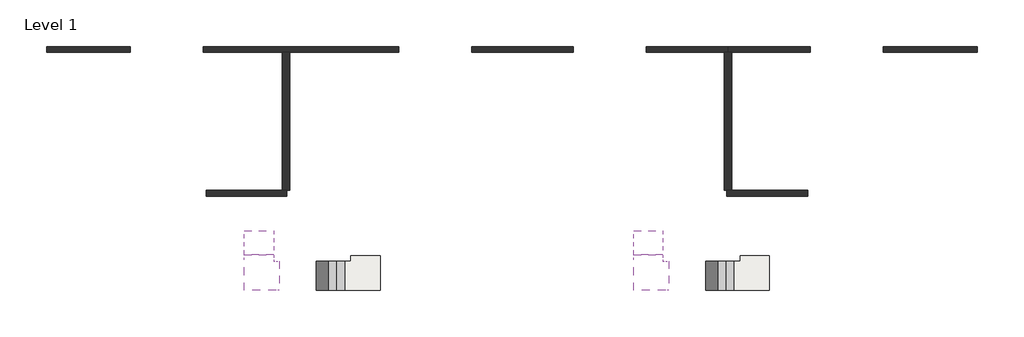
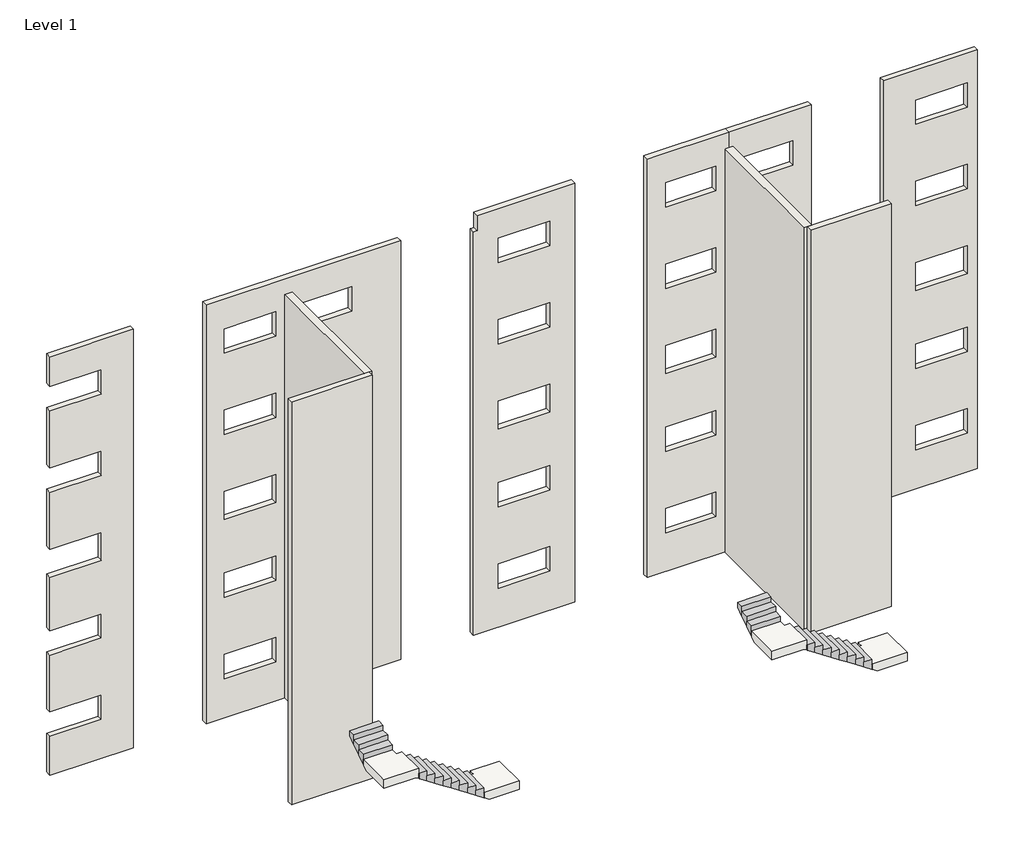
# One storey: 10 walls, 4 slabs, 4 stair flights.
"""IFC4 building model written with IfcOpenShell, lengths in millimetres."""

from ifc_helpers import new_model, si_unit, origin, place, context, project, spatial, faceted_brep, element, save

model = new_model("IFC4")

# Units and contexts
model_context = context("Model", 3, world=origin())
ifc_project = project(units=[si_unit("LENGTHUNIT", "METRE", prefix="MILLI")], contexts=[model_context])

# Site, building, storey
site = spatial("IfcSite", under=ifc_project)
building = spatial("IfcBuilding", under=site)
storey = spatial("IfcBuildingStorey", under=building, Name="Level 1", Elevation=2960.0)

# Slabs
placement = place(None, origin())
element("IfcSlab", 1, ObjectType="300 mm Thickness", at=placement, inside=storey, context=model_context, shape_type="Brep", body=[
    faceted_brep([(-6247.8096791, 11672.190715, 3700.0), (-7247.8096791, 11672.190715, 3700.0), (-7247.8096791, 11574.1395118, 3700.0), (-7247.8096791, 11492.190715, 3700.0), (-7280.8608822, 11492.190715, 3700.0), (-7437.8096791, 11492.190715, 3700.0), (-7462.8096791, 11492.190715, 3700.0), (-7462.8096791, 10492.190715, 3700.0), (-7437.8096791, 10492.190715, 3700.0), (-7280.8608822, 10492.190715, 3700.0), (-6247.8096791, 10492.190715, 3700.0), (-6247.8096791, 11574.1395118, 3700.0), (-6247.8096791, 11672.190715, 3515.0), (-6247.8096791, 11672.190715, 3335.2161693), (-7247.8096791, 11672.190715, 3335.2161693), (-7247.8096791, 11672.190715, 3515.0), (-7247.8096791, 11574.1395118, 3400.0), (-7247.8096791, 11492.190715, 3400.0), (-7437.8096791, 10492.190715, 3503.6983122), (-7280.8608822, 10492.190715, 3400.0), (-6247.8096791, 10492.190715, 3400.0), (-6247.8096791, 11574.1395118, 3400.0), (-7280.8608822, 11492.190715, 3400.0), (-7462.8096791, 10492.190715, 3520.2161693), (-7462.8096791, 11492.190715, 3520.2161693), (-7437.8096791, 11492.190715, 3503.6983122)], [[[0, 1, 2, 3, 4, 5, 6, 7, 8, 9, 10, 11]], [[1, 0, 12, 13, 14, 15]], [[1, 15, 14, 16, 17, 3, 2]], [[8, 18, 19, 20, 10, 9]], [[13, 12, 0, 11, 10, 20, 21]], [[16, 21, 20, 19, 22, 17]], [[21, 16, 14, 13]], [[22, 19, 18, 23, 24, 25]], [[3, 17, 22, 25, 5, 4]], [[6, 5, 25, 24]], [[7, 6, 24, 23]], [[8, 7, 23, 18]]]),
])
element("IfcSlab", 2, ObjectType="300 mm Thickness", at=placement, inside=storey, context=model_context, shape_type="Brep", body=[
    faceted_brep([(-9702.8096791, 10492.190715, 5365.0), (-9702.8096791, 11492.190715, 5365.0), (-9800.8608822, 11492.190715, 5365.0), (-9897.8096791, 11492.190715, 5365.0), (-9897.8096791, 11540.2419181, 5365.0), (-9897.8096791, 11697.190715, 5365.0), (-9897.8096791, 11722.190715, 5365.0), (-10897.8096791, 11722.190715, 5365.0), (-10897.8096791, 11697.190715, 5365.0), (-10897.8096791, 11540.2419181, 5365.0), (-10897.8096791, 10492.190715, 5365.0), (-9800.8608822, 10492.190715, 5365.0), (-9702.8096791, 10492.190715, 5180.0), (-9702.8096791, 10492.190715, 5000.2161693), (-9702.8096791, 11492.190715, 5000.2161693), (-9702.8096791, 11492.190715, 5180.0), (-9800.8608822, 11492.190715, 5065.0), (-9897.8096791, 11492.190715, 5065.0), (-10897.8096791, 11697.190715, 5168.6983122), (-10897.8096791, 11540.2419181, 5065.0), (-10897.8096791, 10492.190715, 5065.0), (-9800.8608822, 10492.190715, 5065.0), (-9897.8096791, 11540.2419181, 5065.0), (-10897.8096791, 11722.190715, 5185.2161693), (-9897.8096791, 11722.190715, 5185.2161693), (-9897.8096791, 11697.190715, 5168.6983122)], [[[0, 1, 2, 3, 4, 5, 6, 7, 8, 9, 10, 11]], [[1, 0, 12, 13, 14, 15]], [[1, 15, 14, 16, 17, 3, 2]], [[8, 18, 19, 20, 10, 9]], [[13, 12, 0, 11, 10, 20, 21]], [[16, 21, 20, 19, 22, 17]], [[21, 16, 14, 13]], [[22, 19, 18, 23, 24, 25]], [[3, 17, 22, 25, 5, 4]], [[6, 5, 25, 24]], [[7, 6, 24, 23]], [[8, 7, 23, 18]]]),
])
element("IfcSlab", 3, ObjectType="300 mm Thickness", at=placement, inside=storey, context=model_context, shape_type="Brep", body=[
    faceted_brep([(7092.1903209, 11672.190715, 3700.0), (6092.1903209, 11672.190715, 3700.0), (6092.1903209, 11574.1395118, 3700.0), (6092.1903209, 11492.190715, 3700.0), (6059.1391178, 11492.190715, 3700.0), (5902.1903209, 11492.190715, 3700.0), (5877.1903209, 11492.190715, 3700.0), (5877.1903209, 10492.190715, 3700.0), (5902.1903209, 10492.190715, 3700.0), (6059.1391178, 10492.190715, 3700.0), (7092.1903209, 10492.190715, 3700.0), (7092.1903209, 11574.1395118, 3700.0), (7092.1903209, 11672.190715, 3515.0), (7092.1903209, 11672.190715, 3335.2161693), (6092.1903209, 11672.190715, 3335.2161693), (6092.1903209, 11672.190715, 3515.0), (6092.1903209, 11574.1395118, 3400.0), (6092.1903209, 11492.190715, 3400.0), (5902.1903209, 10492.190715, 3503.6983122), (6059.1391178, 10492.190715, 3400.0), (7092.1903209, 10492.190715, 3400.0), (7092.1903209, 11574.1395118, 3400.0), (6059.1391178, 11492.190715, 3400.0), (5877.1903209, 10492.190715, 3520.2161693), (5877.1903209, 11492.190715, 3520.2161693), (5902.1903209, 11492.190715, 3503.6983122)], [[[0, 1, 2, 3, 4, 5, 6, 7, 8, 9, 10, 11]], [[1, 0, 12, 13, 14, 15]], [[1, 15, 14, 16, 17, 3, 2]], [[8, 18, 19, 20, 10, 9]], [[13, 12, 0, 11, 10, 20, 21]], [[16, 21, 20, 19, 22, 17]], [[21, 16, 14, 13]], [[22, 19, 18, 23, 24, 25]], [[3, 17, 22, 25, 5, 4]], [[6, 5, 25, 24]], [[7, 6, 24, 23]], [[8, 7, 23, 18]]]),
])
element("IfcSlab", 4, ObjectType="300 mm Thickness", at=placement, inside=storey, context=model_context, shape_type="Brep", body=[
    faceted_brep([(3637.1903209, 10492.190715, 5365.0), (3637.1903209, 11492.190715, 5365.0), (3539.1391178, 11492.190715, 5365.0), (3442.1903209, 11492.190715, 5365.0), (3442.1903209, 11540.2419181, 5365.0), (3442.1903209, 11697.190715, 5365.0), (3442.1903209, 11722.190715, 5365.0), (2442.1903209, 11722.190715, 5365.0), (2442.1903209, 11697.190715, 5365.0), (2442.1903209, 11540.2419181, 5365.0), (2442.1903209, 10492.190715, 5365.0), (3539.1391178, 10492.190715, 5365.0), (3637.1903209, 10492.190715, 5180.0), (3637.1903209, 10492.190715, 5000.2161693), (3637.1903209, 11492.190715, 5000.2161693), (3637.1903209, 11492.190715, 5180.0), (3539.1391178, 11492.190715, 5065.0), (3442.1903209, 11492.190715, 5065.0), (2442.1903209, 11697.190715, 5168.6983122), (2442.1903209, 11540.2419181, 5065.0), (2442.1903209, 10492.190715, 5065.0), (3539.1391178, 10492.190715, 5065.0), (3442.1903209, 11540.2419181, 5065.0), (2442.1903209, 11722.190715, 5185.2161693), (3442.1903209, 11722.190715, 5185.2161693), (3442.1903209, 11697.190715, 5168.6983122)], [[[0, 1, 2, 3, 4, 5, 6, 7, 8, 9, 10, 11]], [[1, 0, 12, 13, 14, 15]], [[1, 15, 14, 16, 17, 3, 2]], [[8, 18, 19, 20, 10, 9]], [[13, 12, 0, 11, 10, 20, 21]], [[16, 21, 20, 19, 22, 17]], [[21, 16, 14, 13]], [[22, 19, 18, 23, 24, 25]], [[3, 17, 22, 25, 5, 4]], [[6, 5, 25, 24]], [[7, 6, 24, 23]], [[8, 7, 23, 18]]]),
])

# Stair flights
element("IfcStairFlight", 5, ObjectType="25 mm Nosing", at=placement, inside=storey, context=model_context, shape_type="Brep", body=[
    faceted_brep([(-7742.8096791, 10492.190715, 3885.0), (-7462.8096791, 10492.190715, 3885.0), (-7462.8096791, 11492.190715, 3885.0), (-7742.8096791, 11492.190715, 3885.0), (-7742.8096791, 10492.190715, 3705.2161693), (-7462.8096791, 10492.190715, 3520.2161693), (-7462.8096791, 10492.190715, 3700.0), (-7462.8096791, 11492.190715, 3520.2161693), (-7462.8096791, 11492.190715, 3700.0), (-7742.8096791, 11492.190715, 3705.2161693), (-8022.8096791, 10492.190715, 4070.0), (-7742.8096791, 10492.190715, 4070.0), (-7742.8096791, 11492.190715, 4070.0), (-8022.8096791, 11492.190715, 4070.0), (-8022.8096791, 10492.190715, 3890.2161693), (-8022.8096791, 11492.190715, 3890.2161693), (-8302.8096791, 10492.190715, 4255.0), (-8022.8096791, 10492.190715, 4255.0), (-8022.8096791, 11492.190715, 4255.0), (-8302.8096791, 11492.190715, 4255.0), (-8302.8096791, 10492.190715, 4075.2161693), (-8302.8096791, 11492.190715, 4075.2161693), (-8582.8096791, 10492.190715, 4440.0), (-8302.8096791, 10492.190715, 4440.0), (-8302.8096791, 11492.190715, 4440.0), (-8582.8096791, 11492.190715, 4440.0), (-8582.8096791, 10492.190715, 4260.2161693), (-8582.8096791, 11492.190715, 4260.2161693), (-8862.8096791, 10492.190715, 4625.0), (-8582.8096791, 10492.190715, 4625.0), (-8582.8096791, 11492.190715, 4625.0), (-8862.8096791, 11492.190715, 4625.0), (-8862.8096791, 10492.190715, 4445.2161693), (-8862.8096791, 11492.190715, 4445.2161693), (-9142.8096791, 10492.190715, 4810.0), (-8862.8096791, 10492.190715, 4810.0), (-8862.8096791, 11492.190715, 4810.0), (-9142.8096791, 11492.190715, 4810.0), (-9142.8096791, 10492.190715, 4630.2161693), (-9142.8096791, 11492.190715, 4630.2161693), (-9422.8096791, 10492.190715, 4995.0), (-9142.8096791, 10492.190715, 4995.0), (-9142.8096791, 11492.190715, 4995.0), (-9422.8096791, 11492.190715, 4995.0), (-9422.8096791, 10492.190715, 4815.2161693), (-9422.8096791, 11492.190715, 4815.2161693), (-9702.8096791, 10492.190715, 5180.0), (-9677.8096791, 10492.190715, 5180.0), (-9422.8096791, 10492.190715, 5180.0), (-9422.8096791, 11492.190715, 5180.0), (-9677.8096791, 11492.190715, 5180.0), (-9702.8096791, 11492.190715, 5180.0), (-9702.8096791, 10492.190715, 5000.2161693), (-9677.8096791, 10492.190715, 4983.6983122), (-9677.8096791, 11492.190715, 4983.6983122), (-9702.8096791, 11492.190715, 5000.2161693)], [[[0, 1, 2, 3]], [[1, 0, 4, 5, 6]], [[2, 1, 6, 5, 7, 8]], [[3, 2, 8, 7, 9]], [[10, 11, 12, 13]], [[11, 10, 14, 4, 0]], [[0, 3, 12, 11]], [[13, 12, 3, 9, 15]], [[16, 17, 18, 19]], [[17, 16, 20, 14, 10]], [[10, 13, 18, 17]], [[19, 18, 13, 15, 21]], [[22, 23, 24, 25]], [[23, 22, 26, 20, 16]], [[16, 19, 24, 23]], [[25, 24, 19, 21, 27]], [[28, 29, 30, 31]], [[29, 28, 32, 26, 22]], [[22, 25, 30, 29]], [[31, 30, 25, 27, 33]], [[34, 35, 36, 37]], [[35, 34, 38, 32, 28]], [[28, 31, 36, 35]], [[37, 36, 31, 33, 39]], [[40, 41, 42, 43]], [[41, 40, 44, 38, 34]], [[34, 37, 42, 41]], [[43, 42, 37, 39, 45]], [[46, 47, 48, 49, 50, 51]], [[47, 46, 52, 53]], [[40, 43, 49, 48]], [[50, 49, 43, 45, 54]], [[46, 51, 55, 52]], [[5, 4, 14, 20, 26, 32, 38, 44, 53, 52, 55, 54, 45, 39, 33, 27, 21, 15, 9, 7]], [[48, 47, 53, 44, 40]], [[51, 50, 54, 55]]]),
])
element("IfcStairFlight", 6, ObjectType="25 mm Nosing", at=placement, inside=storey, context=model_context, shape_type="Brep", body=[
    faceted_brep([(-10897.8096791, 12002.190715, 5550.0), (-10897.8096791, 11722.190715, 5550.0), (-9897.8096791, 11722.190715, 5550.0), (-9897.8096791, 12002.190715, 5550.0), (-10897.8096791, 12002.190715, 5370.2161693), (-10897.8096791, 11722.190715, 5185.2161693), (-10897.8096791, 11722.190715, 5365.0), (-9897.8096791, 11722.190715, 5185.2161693), (-9897.8096791, 11722.190715, 5365.0), (-9897.8096791, 12002.190715, 5370.2161693), (-10897.8096791, 12282.190715, 5735.0), (-10897.8096791, 12002.190715, 5735.0), (-9897.8096791, 12002.190715, 5735.0), (-9897.8096791, 12282.190715, 5735.0), (-10897.8096791, 12282.190715, 5555.2161693), (-9897.8096791, 12282.190715, 5555.2161693), (-10897.8096791, 12537.190715, 5920.0), (-10897.8096791, 12282.190715, 5920.0), (-9897.8096791, 12282.190715, 5920.0), (-9897.8096791, 12537.190715, 5920.0), (-10897.8096791, 12537.190715, 5723.6983122), (-9897.8096791, 12537.190715, 5723.6983122)], [[[0, 1, 2, 3]], [[1, 0, 4, 5, 6]], [[2, 1, 6, 5, 7, 8]], [[3, 2, 8, 7, 9]], [[10, 11, 12, 13]], [[11, 10, 14, 4, 0]], [[12, 11, 0, 3]], [[13, 12, 3, 9, 15]], [[16, 17, 18, 19]], [[17, 16, 20, 14, 10]], [[18, 17, 10, 13]], [[19, 18, 13, 15, 21]], [[16, 19, 21, 20]], [[5, 4, 14, 20, 21, 15, 9, 7]]]),
])
element("IfcStairFlight", 7, ObjectType="25 mm Nosing", at=placement, inside=storey, context=model_context, shape_type="Brep", body=[
    faceted_brep([(5597.1903209, 10492.190715, 3885.0), (5877.1903209, 10492.190715, 3885.0), (5877.1903209, 11492.190715, 3885.0), (5597.1903209, 11492.190715, 3885.0), (5597.1903209, 10492.190715, 3705.2161693), (5877.1903209, 10492.190715, 3520.2161693), (5877.1903209, 10492.190715, 3700.0), (5877.1903209, 11492.190715, 3520.2161693), (5877.1903209, 11492.190715, 3700.0), (5597.1903209, 11492.190715, 3705.2161693), (5317.1903209, 10492.190715, 4070.0), (5597.1903209, 10492.190715, 4070.0), (5597.1903209, 11492.190715, 4070.0), (5317.1903209, 11492.190715, 4070.0), (5317.1903209, 10492.190715, 3890.2161693), (5317.1903209, 11492.190715, 3890.2161693), (5037.1903209, 10492.190715, 4255.0), (5317.1903209, 10492.190715, 4255.0), (5317.1903209, 11492.190715, 4255.0), (5037.1903209, 11492.190715, 4255.0), (5037.1903209, 10492.190715, 4075.2161693), (5037.1903209, 11492.190715, 4075.2161693), (4757.1903209, 10492.190715, 4440.0), (5037.1903209, 10492.190715, 4440.0), (5037.1903209, 11492.190715, 4440.0), (4757.1903209, 11492.190715, 4440.0), (4757.1903209, 10492.190715, 4260.2161693), (4757.1903209, 11492.190715, 4260.2161693), (4477.1903209, 10492.190715, 4625.0), (4757.1903209, 10492.190715, 4625.0), (4757.1903209, 11492.190715, 4625.0), (4477.1903209, 11492.190715, 4625.0), (4477.1903209, 10492.190715, 4445.2161693), (4477.1903209, 11492.190715, 4445.2161693), (4197.1903209, 10492.190715, 4810.0), (4477.1903209, 10492.190715, 4810.0), (4477.1903209, 11492.190715, 4810.0), (4197.1903209, 11492.190715, 4810.0), (4197.1903209, 10492.190715, 4630.2161693), (4197.1903209, 11492.190715, 4630.2161693), (3917.1903209, 10492.190715, 4995.0), (4197.1903209, 10492.190715, 4995.0), (4197.1903209, 11492.190715, 4995.0), (3917.1903209, 11492.190715, 4995.0), (3917.1903209, 10492.190715, 4815.2161693), (3917.1903209, 11492.190715, 4815.2161693), (3637.1903209, 10492.190715, 5180.0), (3662.1903209, 10492.190715, 5180.0), (3917.1903209, 10492.190715, 5180.0), (3917.1903209, 11492.190715, 5180.0), (3662.1903209, 11492.190715, 5180.0), (3637.1903209, 11492.190715, 5180.0), (3637.1903209, 10492.190715, 5000.2161693), (3662.1903209, 10492.190715, 4983.6983122), (3662.1903209, 11492.190715, 4983.6983122), (3637.1903209, 11492.190715, 5000.2161693)], [[[0, 1, 2, 3]], [[1, 0, 4, 5, 6]], [[2, 1, 6, 5, 7, 8]], [[3, 2, 8, 7, 9]], [[10, 11, 12, 13]], [[11, 10, 14, 4, 0]], [[0, 3, 12, 11]], [[13, 12, 3, 9, 15]], [[16, 17, 18, 19]], [[17, 16, 20, 14, 10]], [[10, 13, 18, 17]], [[19, 18, 13, 15, 21]], [[22, 23, 24, 25]], [[23, 22, 26, 20, 16]], [[16, 19, 24, 23]], [[25, 24, 19, 21, 27]], [[28, 29, 30, 31]], [[29, 28, 32, 26, 22]], [[22, 25, 30, 29]], [[31, 30, 25, 27, 33]], [[34, 35, 36, 37]], [[35, 34, 38, 32, 28]], [[28, 31, 36, 35]], [[37, 36, 31, 33, 39]], [[40, 41, 42, 43]], [[41, 40, 44, 38, 34]], [[34, 37, 42, 41]], [[43, 42, 37, 39, 45]], [[46, 47, 48, 49, 50, 51]], [[47, 46, 52, 53]], [[40, 43, 49, 48]], [[50, 49, 43, 45, 54]], [[46, 51, 55, 52]], [[5, 4, 14, 20, 26, 32, 38, 44, 53, 52, 55, 54, 45, 39, 33, 27, 21, 15, 9, 7]], [[48, 47, 53, 44, 40]], [[51, 50, 54, 55]]]),
])
element("IfcStairFlight", 8, ObjectType="25 mm Nosing", at=placement, inside=storey, context=model_context, shape_type="Brep", body=[
    faceted_brep([(2442.1903209, 12002.190715, 5550.0), (2442.1903209, 11722.190715, 5550.0), (3442.1903209, 11722.190715, 5550.0), (3442.1903209, 12002.190715, 5550.0), (2442.1903209, 12002.190715, 5370.2161693), (2442.1903209, 11722.190715, 5185.2161693), (2442.1903209, 11722.190715, 5365.0), (3442.1903209, 11722.190715, 5185.2161693), (3442.1903209, 11722.190715, 5365.0), (3442.1903209, 12002.190715, 5370.2161693), (2442.1903209, 12282.190715, 5735.0), (2442.1903209, 12002.190715, 5735.0), (3442.1903209, 12002.190715, 5735.0), (3442.1903209, 12282.190715, 5735.0), (2442.1903209, 12282.190715, 5555.2161693), (3442.1903209, 12282.190715, 5555.2161693), (2442.1903209, 12537.190715, 5920.0), (2442.1903209, 12282.190715, 5920.0), (3442.1903209, 12282.190715, 5920.0), (3442.1903209, 12537.190715, 5920.0), (2442.1903209, 12537.190715, 5723.6983122), (3442.1903209, 12537.190715, 5723.6983122)], [[[0, 1, 2, 3]], [[1, 0, 4, 5, 6]], [[2, 1, 6, 5, 7, 8]], [[3, 2, 8, 7, 9]], [[10, 11, 12, 13]], [[11, 10, 14, 4, 0]], [[12, 11, 0, 3]], [[13, 12, 3, 9, 15]], [[16, 17, 18, 19]], [[17, 16, 20, 14, 10]], [[18, 17, 10, 13]], [[19, 18, 13, 15, 21]], [[16, 19, 21, 20]], [[5, 4, 14, 20, 21, 15, 9, 7]]]),
])

# Walls
element("IfcWall", 9, ObjectType="Generic - 200mm", at=placement, inside=storey, context=model_context, shape_type="Brep", body=[
    faceted_brep([(-12207.8096791, 13717.190715, 2960.0), (-12112.8096791, 13717.190715, 2960.0), (-9532.8096791, 13717.190715, 2960.0), (-9442.8096791, 13717.190715, 2960.0), (-9437.8096791, 13717.190715, 2960.0), (-9437.8096791, 13717.190715, 17620.0), (-12207.8096791, 13717.190715, 17620.0), (-12207.8096791, 13917.190715, 2960.0), (-12207.8096791, 13917.190715, 17620.0), (-9602.8096791, 13917.190715, 17620.0), (-9437.8096791, 13917.190715, 17620.0), (-9437.8096791, 13917.190715, 2960.0), (-9442.8096791, 13917.190715, 2960.0), (-9532.8096791, 13917.190715, 2960.0), (-9602.8096791, 13917.190715, 2960.0), (-12112.8096791, 13917.190715, 2960.0)], [[[0, 1, 2, 3, 4, 5, 6]], [[7, 8, 9, 10, 11, 12, 13, 14, 15]], [[4, 3, 2, 1, 0, 7, 15, 14, 13, 12, 11]], [[5, 4, 11, 10]], [[6, 5, 10, 9, 8]], [[0, 6, 8, 7]]]),
])
element("IfcWall", 10, ObjectType="Generic - 200mm", at=placement, inside=storey, context=model_context, shape_type="Brep", body=[
    faceted_brep([(8402.1903209, 13917.190715, 2960.0), (8307.1903209, 13917.190715, 2960.0), (5797.1903209, 13917.190715, 2960.0), (5727.1903209, 13917.190715, 2960.0), (5637.1903209, 13917.190715, 2960.0), (5632.1903209, 13917.190715, 2960.0), (5632.1903209, 13917.190715, 17620.0), (5797.1903209, 13917.190715, 17620.0), (8402.1903209, 13917.190715, 17620.0), (8402.1903209, 13717.190715, 2960.0), (8402.1903209, 13717.190715, 17620.0), (5632.1903209, 13717.190715, 17620.0), (5632.1903209, 13717.190715, 2960.0), (5637.1903209, 13717.190715, 2960.0), (5727.1903209, 13717.190715, 2960.0), (8307.1903209, 13717.190715, 2960.0)], [[[0, 1, 2, 3, 4, 5, 6, 7, 8]], [[9, 10, 11, 12, 13, 14, 15]], [[5, 4, 3, 2, 1, 0, 9, 15, 14, 13, 12]], [[6, 5, 12, 11]], [[8, 7, 6, 11, 10]], [[0, 8, 10, 9]]]),
])
element("IfcWall", 11, ObjectType="Generic - 200mm ext", at=placement, inside=storey, context=model_context, shape_type="Brep", body=[
    faceted_brep([(-12302.8096791, 18647.190715, 2960.0), (-9602.8096791, 18647.190715, 2960.0), (-9342.8096791, 18647.190715, 2960.0), (-5612.8096791, 18647.190715, 2960.0), (-5612.8096791, 18647.190715, 17620.0), (-5612.8096791, 18647.190715, 18180.0), (-12302.8096791, 18647.190715, 18180.0), (-12302.8096791, 18647.190715, 17620.0), (-11677.8096791, 18647.190715, 13250.0), (-11677.8096791, 18647.190715, 14140.0), (-9907.8096791, 18647.190715, 14140.0), (-9907.8096791, 18647.190715, 13250.0), (-7297.8096791, 18647.190715, 14140.0), (-7297.8096791, 18647.190715, 13250.0), (-9067.8096791, 18647.190715, 13250.0), (-9067.8096791, 18647.190715, 14140.0), (-9067.8096791, 18647.190715, 16210.0), (-9067.8096791, 18647.190715, 17100.0), (-7297.8096791, 18647.190715, 17100.0), (-7297.8096791, 18647.190715, 16210.0), (-11677.8096791, 18647.190715, 16210.0), (-11677.8096791, 18647.190715, 17100.0), (-9907.8096791, 18647.190715, 17100.0), (-9907.8096791, 18647.190715, 16210.0), (-11677.8096791, 18647.190715, 7330.0), (-11677.8096791, 18647.190715, 8220.0), (-9907.8096791, 18647.190715, 8220.0), (-9907.8096791, 18647.190715, 7330.0), (-9067.8096791, 18647.190715, 7330.0), (-9067.8096791, 18647.190715, 8220.0), (-7297.8096791, 18647.190715, 8220.0), (-7297.8096791, 18647.190715, 7330.0), (-9067.8096791, 18647.190715, 10165.0), (-9067.8096791, 18647.190715, 11180.0), (-7297.8096791, 18647.190715, 11180.0), (-7297.8096791, 18647.190715, 10165.0), (-9907.8096791, 18647.190715, 11180.0), (-9907.8096791, 18647.190715, 10165.0), (-11677.8096791, 18647.190715, 10165.0), (-11677.8096791, 18647.190715, 11180.0), (-7297.8096791, 18647.190715, 5260.0), (-7297.8096791, 18647.190715, 4370.0), (-9067.8096791, 18647.190715, 4370.0), (-9067.8096791, 18647.190715, 5260.0), (-9907.8096791, 18647.190715, 4370.0), (-11677.8096791, 18647.190715, 4370.0), (-11677.8096791, 18647.190715, 5260.0), (-9907.8096791, 18647.190715, 5260.0), (-5612.8096791, 18847.190715, 2960.0), (-12302.8096791, 18847.190715, 2960.0), (-12302.8096791, 18847.190715, 17620.0), (-12302.8096791, 18847.190715, 18180.0), (-5612.8096791, 18847.190715, 18180.0), (-5612.8096791, 18847.190715, 17620.0), (-11677.8096791, 18847.190715, 14140.0), (-11677.8096791, 18847.190715, 13250.0), (-9907.8096791, 18847.190715, 13250.0), (-9907.8096791, 18847.190715, 14140.0), (-7297.8096791, 18847.190715, 13250.0), (-7297.8096791, 18847.190715, 14140.0), (-9067.8096791, 18847.190715, 14140.0), (-9067.8096791, 18847.190715, 13250.0), (-9067.8096791, 18847.190715, 17100.0), (-9067.8096791, 18847.190715, 16210.0), (-7297.8096791, 18847.190715, 16210.0), (-7297.8096791, 18847.190715, 17100.0), (-11677.8096791, 18847.190715, 17100.0), (-11677.8096791, 18847.190715, 16210.0), (-9907.8096791, 18847.190715, 16210.0), (-9907.8096791, 18847.190715, 17100.0), (-11677.8096791, 18847.190715, 8220.0), (-11677.8096791, 18847.190715, 7330.0), (-9907.8096791, 18847.190715, 7330.0), (-9907.8096791, 18847.190715, 8220.0), (-9067.8096791, 18847.190715, 8220.0), (-9067.8096791, 18847.190715, 7330.0), (-7297.8096791, 18847.190715, 7330.0), (-7297.8096791, 18847.190715, 8220.0), (-9067.8096791, 18847.190715, 11180.0), (-9067.8096791, 18847.190715, 10165.0), (-7297.8096791, 18847.190715, 10165.0), (-7297.8096791, 18847.190715, 11180.0), (-9907.8096791, 18847.190715, 10165.0), (-9907.8096791, 18847.190715, 11180.0), (-11677.8096791, 18847.190715, 11180.0), (-11677.8096791, 18847.190715, 10165.0), (-7297.8096791, 18847.190715, 4370.0), (-7297.8096791, 18847.190715, 5260.0), (-9067.8096791, 18847.190715, 5260.0), (-9067.8096791, 18847.190715, 4370.0), (-11677.8096791, 18847.190715, 4370.0), (-9907.8096791, 18847.190715, 4370.0), (-9907.8096791, 18847.190715, 5260.0), (-11677.8096791, 18847.190715, 5260.0)], [[[0, 1, 2, 3, 4, 5, 6, 7], [8, 9, 10, 11], [12, 13, 14, 15], [16, 17, 18, 19], [20, 21, 22, 23], [24, 25, 26, 27], [28, 29, 30, 31], [32, 33, 34, 35], [36, 37, 38, 39], [40, 41, 42, 43], [44, 45, 46, 47]], [[48, 49, 50, 51, 52, 53], [54, 55, 56, 57], [58, 59, 60, 61], [62, 63, 64, 65], [66, 67, 68, 69], [70, 71, 72, 73], [74, 75, 76, 77], [78, 79, 80, 81], [82, 83, 84, 85], [86, 87, 88, 89], [90, 91, 92, 93]], [[3, 2, 1, 0, 49, 48]], [[5, 4, 3, 48, 53, 52]], [[6, 5, 52, 51]], [[0, 7, 6, 51, 50, 49]], [[54, 9, 8, 55]], [[11, 56, 55, 8]], [[10, 57, 56, 11]], [[57, 10, 9, 54]], [[13, 12, 59, 58]], [[14, 13, 58, 61]], [[15, 14, 61, 60]], [[12, 15, 60, 59]], [[63, 62, 17, 16]], [[64, 63, 16, 19]], [[65, 64, 19, 18]], [[62, 65, 18, 17]], [[67, 66, 21, 20]], [[68, 67, 20, 23]], [[69, 68, 23, 22]], [[66, 69, 22, 21]], [[71, 70, 25, 24]], [[72, 71, 24, 27]], [[73, 72, 27, 26]], [[70, 73, 26, 25]], [[75, 74, 29, 28]], [[76, 75, 28, 31]], [[77, 76, 31, 30]], [[74, 77, 30, 29]], [[79, 78, 33, 32]], [[80, 79, 32, 35]], [[81, 80, 35, 34]], [[78, 81, 34, 33]], [[37, 36, 83, 82]], [[38, 37, 82, 85]], [[39, 38, 85, 84]], [[36, 39, 84, 83]], [[41, 40, 87, 86]], [[42, 41, 86, 89]], [[43, 42, 89, 88]], [[40, 43, 88, 87]], [[90, 45, 44, 91]], [[91, 44, 47, 92]], [[92, 47, 46, 93]], [[45, 90, 93, 46]]]),
])
element("IfcWall", 12, ObjectType="Generic - 200mm ext", at=placement, inside=storey, context=model_context, shape_type="Brep", body=[
    faceted_brep([(-3112.8096791, 18647.190715, 2960.0), (367.1903209, 18647.190715, 2960.0), (367.1903209, 18647.190715, 17620.0), (367.1903209, 18647.190715, 18180.0), (-2982.8096791, 18647.190715, 18180.0), (-2982.8096791, 18647.190715, 17620.0), (-3112.8096791, 18647.190715, 17620.0), (-487.8096791, 18647.190715, 14140.0), (-487.8096791, 18647.190715, 13250.0), (-2257.8096791, 18647.190715, 13250.0), (-2257.8096791, 18647.190715, 14140.0), (-2257.8096791, 18647.190715, 17100.0), (-487.8096791, 18647.190715, 17100.0), (-487.8096791, 18647.190715, 16210.0), (-2257.8096791, 18647.190715, 16210.0), (-2257.8096791, 18647.190715, 8220.0), (-487.8096791, 18647.190715, 8220.0), (-487.8096791, 18647.190715, 7330.0), (-2257.8096791, 18647.190715, 7330.0), (-2257.8096791, 18647.190715, 11180.0), (-487.8096791, 18647.190715, 11180.0), (-487.8096791, 18647.190715, 10165.0), (-2257.8096791, 18647.190715, 10165.0), (-487.8096791, 18647.190715, 5260.0), (-487.8096791, 18647.190715, 4370.0), (-2257.8096791, 18647.190715, 4370.0), (-2257.8096791, 18647.190715, 5260.0), (-3112.8096791, 18847.190715, 2960.0), (-3112.8096791, 18847.190715, 17620.0), (-2982.8096791, 18847.190715, 17620.0), (-2982.8096791, 18847.190715, 18180.0), (367.1903209, 18847.190715, 18180.0), (367.1903209, 18847.190715, 17620.0), (367.1903209, 18847.190715, 2960.0), (-487.8096791, 18847.190715, 14140.0), (-2257.8096791, 18847.190715, 14140.0), (-2257.8096791, 18847.190715, 13250.0), (-487.8096791, 18847.190715, 13250.0), (-2257.8096791, 18847.190715, 17100.0), (-2257.8096791, 18847.190715, 16210.0), (-487.8096791, 18847.190715, 16210.0), (-487.8096791, 18847.190715, 17100.0), (-2257.8096791, 18847.190715, 8220.0), (-2257.8096791, 18847.190715, 7330.0), (-487.8096791, 18847.190715, 7330.0), (-487.8096791, 18847.190715, 8220.0), (-2257.8096791, 18847.190715, 11180.0), (-2257.8096791, 18847.190715, 10165.0), (-487.8096791, 18847.190715, 10165.0), (-487.8096791, 18847.190715, 11180.0), (-487.8096791, 18847.190715, 5260.0), (-2257.8096791, 18847.190715, 5260.0), (-2257.8096791, 18847.190715, 4370.0), (-487.8096791, 18847.190715, 4370.0)], [[[0, 1, 2, 3, 4, 5, 6], [7, 8, 9, 10], [11, 12, 13, 14], [15, 16, 17, 18], [19, 20, 21, 22], [23, 24, 25, 26]], [[27, 28, 29, 30, 31, 32, 33], [34, 35, 36, 37], [38, 39, 40, 41], [42, 43, 44, 45], [46, 47, 48, 49], [50, 51, 52, 53]], [[1, 0, 27, 33]], [[3, 2, 1, 33, 32, 31]], [[4, 3, 31, 30]], [[8, 7, 34, 37]], [[9, 8, 37, 36]], [[10, 9, 36, 35]], [[7, 10, 35, 34]], [[39, 38, 11, 14]], [[40, 39, 14, 13]], [[41, 40, 13, 12]], [[38, 41, 12, 11]], [[43, 42, 15, 18]], [[44, 43, 18, 17]], [[45, 44, 17, 16]], [[42, 45, 16, 15]], [[47, 46, 19, 22]], [[48, 47, 22, 21]], [[49, 48, 21, 20]], [[46, 49, 20, 19]], [[24, 23, 50, 53]], [[25, 24, 53, 52]], [[26, 25, 52, 51]], [[23, 26, 51, 50]], [[5, 4, 30, 29]], [[5, 29, 28, 6]], [[0, 6, 28, 27]]]),
])
element("IfcWall", 13, ObjectType="Generic - 200mm ext", at=placement, inside=storey, context=model_context, shape_type="Brep", body=[
    faceted_brep([(-17672.8096791, 18647.190715, 7330.0), (-17672.8096791, 18647.190715, 5260.0), (-15902.8096791, 18647.190715, 5260.0), (-15902.8096791, 18647.190715, 4370.0), (-17672.8096791, 18647.190715, 4370.0), (-17672.8096791, 18647.190715, 2960.0), (-14802.8096791, 18647.190715, 2960.0), (-14802.8096791, 18647.190715, 17620.0), (-14802.8096791, 18647.190715, 18180.0), (-17672.8096791, 18647.190715, 18180.0), (-17672.8096791, 18647.190715, 17100.0), (-15902.8096791, 18647.190715, 17100.0), (-15902.8096791, 18647.190715, 16210.0), (-17672.8096791, 18647.190715, 16210.0), (-17672.8096791, 18647.190715, 14140.0), (-15902.8096791, 18647.190715, 14140.0), (-15902.8096791, 18647.190715, 13250.0), (-17672.8096791, 18647.190715, 13250.0), (-17672.8096791, 18647.190715, 11180.0), (-15902.8096791, 18647.190715, 11180.0), (-15902.8096791, 18647.190715, 10165.0), (-17672.8096791, 18647.190715, 10165.0), (-17672.8096791, 18647.190715, 8220.0), (-15902.8096791, 18647.190715, 8220.0), (-15902.8096791, 18647.190715, 7330.0), (-15902.8096791, 18847.190715, 5260.0), (-17672.8096791, 18847.190715, 5260.0), (-17672.8096791, 18847.190715, 7330.0), (-15902.8096791, 18847.190715, 7330.0), (-15902.8096791, 18847.190715, 8220.0), (-17672.8096791, 18847.190715, 8220.0), (-17672.8096791, 18847.190715, 10165.0), (-15902.8096791, 18847.190715, 10165.0), (-15902.8096791, 18847.190715, 11180.0), (-17672.8096791, 18847.190715, 11180.0), (-17672.8096791, 18847.190715, 13250.0), (-15902.8096791, 18847.190715, 13250.0), (-15902.8096791, 18847.190715, 14140.0), (-17672.8096791, 18847.190715, 14140.0), (-17672.8096791, 18847.190715, 16210.0), (-15902.8096791, 18847.190715, 16210.0), (-15902.8096791, 18847.190715, 17100.0), (-17672.8096791, 18847.190715, 17100.0), (-17672.8096791, 18847.190715, 18180.0), (-14802.8096791, 18847.190715, 18180.0), (-14802.8096791, 18847.190715, 17620.0), (-14802.8096791, 18847.190715, 2960.0), (-17672.8096791, 18847.190715, 2960.0), (-17672.8096791, 18847.190715, 4370.0), (-15902.8096791, 18847.190715, 4370.0)], [[[0, 1, 2, 3, 4, 5, 6, 7, 8, 9, 10, 11, 12, 13, 14, 15, 16, 17, 18, 19, 20, 21, 22, 23, 24]], [[25, 26, 27, 28, 29, 30, 31, 32, 33, 34, 35, 36, 37, 38, 39, 40, 41, 42, 43, 44, 45, 46, 47, 48, 49]], [[6, 5, 47, 46]], [[8, 7, 6, 46, 45, 44]], [[9, 8, 44, 43]], [[10, 9, 43, 42]], [[14, 13, 39, 38]], [[31, 30, 22, 21]], [[35, 34, 18, 17]], [[48, 47, 5, 4]], [[27, 26, 1, 0]], [[16, 15, 37, 36]], [[17, 16, 36, 35]], [[15, 14, 38, 37]], [[40, 39, 13, 12]], [[41, 40, 12, 11]], [[42, 41, 11, 10]], [[28, 27, 0, 24]], [[29, 28, 24, 23]], [[30, 29, 23, 22]], [[20, 19, 33, 32]], [[21, 20, 32, 31]], [[19, 18, 34, 33]], [[3, 2, 25, 49]], [[4, 3, 49, 48]], [[2, 1, 26, 25]]]),
])
element("IfcWall", 14, ObjectType="Generic - 200mm ext", at=placement, inside=storey, context=model_context, shape_type="Brep", body=[
    faceted_brep([(14217.1903209, 18847.190715, 2960.0), (10997.1903209, 18847.190715, 2960.0), (10997.1903209, 18847.190715, 17620.0), (10997.1903209, 18847.190715, 18180.0), (14217.1903209, 18847.190715, 18180.0), (13867.1903209, 18847.190715, 14140.0), (12097.1903209, 18847.190715, 14140.0), (12097.1903209, 18847.190715, 13250.0), (13867.1903209, 18847.190715, 13250.0), (12097.1903209, 18847.190715, 17100.0), (12097.1903209, 18847.190715, 16210.0), (13867.1903209, 18847.190715, 16210.0), (13867.1903209, 18847.190715, 17100.0), (12097.1903209, 18847.190715, 8220.0), (12097.1903209, 18847.190715, 7330.0), (13867.1903209, 18847.190715, 7330.0), (13867.1903209, 18847.190715, 8220.0), (13867.1903209, 18847.190715, 11180.0), (12097.1903209, 18847.190715, 11180.0), (12097.1903209, 18847.190715, 10165.0), (13867.1903209, 18847.190715, 10165.0), (13867.1903209, 18847.190715, 5260.0), (12097.1903209, 18847.190715, 5260.0), (12097.1903209, 18847.190715, 4370.0), (13867.1903209, 18847.190715, 4370.0), (14217.1903209, 18647.190715, 2960.0), (14217.1903209, 18647.190715, 18180.0), (10997.1903209, 18647.190715, 18180.0), (10997.1903209, 18647.190715, 17620.0), (10997.1903209, 18647.190715, 2960.0), (13867.1903209, 18647.190715, 14140.0), (13867.1903209, 18647.190715, 13250.0), (12097.1903209, 18647.190715, 13250.0), (12097.1903209, 18647.190715, 14140.0), (12097.1903209, 18647.190715, 17100.0), (13867.1903209, 18647.190715, 17100.0), (13867.1903209, 18647.190715, 16210.0), (12097.1903209, 18647.190715, 16210.0), (12097.1903209, 18647.190715, 8220.0), (13867.1903209, 18647.190715, 8220.0), (13867.1903209, 18647.190715, 7330.0), (12097.1903209, 18647.190715, 7330.0), (13867.1903209, 18647.190715, 11180.0), (13867.1903209, 18647.190715, 10165.0), (12097.1903209, 18647.190715, 10165.0), (12097.1903209, 18647.190715, 11180.0), (13867.1903209, 18647.190715, 5260.0), (13867.1903209, 18647.190715, 4370.0), (12097.1903209, 18647.190715, 4370.0), (12097.1903209, 18647.190715, 5260.0)], [[[0, 1, 2, 3, 4], [5, 6, 7, 8], [9, 10, 11, 12], [13, 14, 15, 16], [17, 18, 19, 20], [21, 22, 23, 24]], [[25, 26, 27, 28, 29], [30, 31, 32, 33], [34, 35, 36, 37], [38, 39, 40, 41], [42, 43, 44, 45], [46, 47, 48, 49]], [[1, 0, 25, 29]], [[3, 2, 1, 29, 28, 27]], [[4, 3, 27, 26]], [[0, 4, 26, 25]], [[31, 30, 5, 8]], [[32, 31, 8, 7]], [[33, 32, 7, 6]], [[30, 33, 6, 5]], [[10, 9, 34, 37]], [[11, 10, 37, 36]], [[12, 11, 36, 35]], [[9, 12, 35, 34]], [[14, 13, 38, 41]], [[15, 14, 41, 40]], [[16, 15, 40, 39]], [[13, 16, 39, 38]], [[43, 42, 17, 20]], [[44, 43, 20, 19]], [[45, 44, 19, 18]], [[42, 45, 18, 17]], [[47, 46, 21, 24]], [[48, 47, 24, 23]], [[49, 48, 23, 22]], [[46, 49, 22, 21]]]),
])
element("IfcWall", 15, ObjectType="Generic - 200mm ext", at=placement, inside=storey, context=model_context, shape_type="Brep", body=[
    faceted_brep([(5667.1903209, 18647.190715, 18180.0), (5667.1903209, 18647.190715, 2960.0), (5797.1903209, 18647.190715, 2960.0), (8497.1903209, 18647.190715, 2960.0), (8497.1903209, 18647.190715, 17620.0), (8497.1903209, 18647.190715, 18180.0), (7872.1903209, 18647.190715, 14140.0), (7872.1903209, 18647.190715, 13250.0), (6152.1903209, 18647.190715, 13250.0), (6152.1903209, 18647.190715, 14140.0), (7872.1903209, 18647.190715, 17100.0), (7872.1903209, 18647.190715, 16210.0), (6152.1903209, 18647.190715, 16210.0), (6152.1903209, 18647.190715, 17100.0), (6152.1903209, 18647.190715, 8220.0), (7872.1903209, 18647.190715, 8220.0), (7872.1903209, 18647.190715, 7330.0), (6152.1903209, 18647.190715, 7330.0), (6152.1903209, 18647.190715, 11180.0), (7872.1903209, 18647.190715, 11180.0), (7872.1903209, 18647.190715, 10165.0), (6152.1903209, 18647.190715, 10165.0), (6152.1903209, 18647.190715, 5260.0), (7872.1903209, 18647.190715, 5260.0), (7872.1903209, 18647.190715, 4370.0), (6152.1903209, 18647.190715, 4370.0), (5667.1903209, 18847.190715, 2960.0), (5667.1903209, 18847.190715, 18180.0), (8497.1903209, 18847.190715, 18180.0), (8497.1903209, 18847.190715, 17620.0), (8497.1903209, 18847.190715, 2960.0), (7872.1903209, 18847.190715, 14140.0), (6152.1903209, 18847.190715, 14140.0), (6152.1903209, 18847.190715, 13250.0), (7872.1903209, 18847.190715, 13250.0), (7872.1903209, 18847.190715, 17100.0), (6152.1903209, 18847.190715, 17100.0), (6152.1903209, 18847.190715, 16210.0), (7872.1903209, 18847.190715, 16210.0), (6152.1903209, 18847.190715, 8220.0), (6152.1903209, 18847.190715, 7330.0), (7872.1903209, 18847.190715, 7330.0), (7872.1903209, 18847.190715, 8220.0), (6152.1903209, 18847.190715, 11180.0), (6152.1903209, 18847.190715, 10165.0), (7872.1903209, 18847.190715, 10165.0), (7872.1903209, 18847.190715, 11180.0), (6152.1903209, 18847.190715, 5260.0), (6152.1903209, 18847.190715, 4370.0), (7872.1903209, 18847.190715, 4370.0), (7872.1903209, 18847.190715, 5260.0)], [[[0, 1, 2, 3, 4, 5], [6, 7, 8, 9], [10, 11, 12, 13], [14, 15, 16, 17], [18, 19, 20, 21], [22, 23, 24, 25]], [[26, 27, 28, 29, 30], [31, 32, 33, 34], [35, 36, 37, 38], [39, 40, 41, 42], [43, 44, 45, 46], [47, 48, 49, 50]], [[3, 2, 1, 26, 30]], [[5, 4, 3, 30, 29, 28]], [[0, 5, 28, 27]], [[7, 6, 31, 34]], [[8, 7, 34, 33]], [[9, 8, 33, 32]], [[6, 9, 32, 31]], [[11, 10, 35, 38]], [[12, 11, 38, 37]], [[13, 12, 37, 36]], [[10, 13, 36, 35]], [[40, 39, 14, 17]], [[41, 40, 17, 16]], [[42, 41, 16, 15]], [[39, 42, 15, 14]], [[44, 43, 18, 21]], [[45, 44, 21, 20]], [[46, 45, 20, 19]], [[43, 46, 19, 18]], [[48, 47, 22, 25]], [[49, 48, 25, 24]], [[50, 49, 24, 23]], [[47, 50, 23, 22]], [[0, 27, 26, 1]]]),
])
element("IfcWall", 16, ObjectType="Generic - 200mm ext", at=placement, inside=storey, context=model_context, shape_type="Brep", body=[
    faceted_brep([(5667.1903209, 18847.190715, 18180.0), (5667.1903209, 18847.190715, 2960.0), (2867.1903209, 18847.190715, 2960.0), (2867.1903209, 18847.190715, 17620.0), (2867.1903209, 18847.190715, 18180.0), (5212.1903209, 18847.190715, 14140.0), (3492.1903209, 18847.190715, 14140.0), (3492.1903209, 18847.190715, 13250.0), (5212.1903209, 18847.190715, 13250.0), (3492.1903209, 18847.190715, 17100.0), (3492.1903209, 18847.190715, 16210.0), (5212.1903209, 18847.190715, 16210.0), (5212.1903209, 18847.190715, 17100.0), (3492.1903209, 18847.190715, 8220.0), (3492.1903209, 18847.190715, 7330.0), (5212.1903209, 18847.190715, 7330.0), (5212.1903209, 18847.190715, 8220.0), (3492.1903209, 18847.190715, 11180.0), (3492.1903209, 18847.190715, 10165.0), (5212.1903209, 18847.190715, 10165.0), (5212.1903209, 18847.190715, 11180.0), (3492.1903209, 18847.190715, 5260.0), (3492.1903209, 18847.190715, 4370.0), (5212.1903209, 18847.190715, 4370.0), (5212.1903209, 18847.190715, 5260.0), (5667.1903209, 18647.190715, 2960.0), (5667.1903209, 18647.190715, 18180.0), (2867.1903209, 18647.190715, 18180.0), (2867.1903209, 18647.190715, 17620.0), (2867.1903209, 18647.190715, 2960.0), (5537.1903209, 18647.190715, 2960.0), (5212.1903209, 18647.190715, 14140.0), (5212.1903209, 18647.190715, 13250.0), (3492.1903209, 18647.190715, 13250.0), (3492.1903209, 18647.190715, 14140.0), (3492.1903209, 18647.190715, 17100.0), (5212.1903209, 18647.190715, 17100.0), (5212.1903209, 18647.190715, 16210.0), (3492.1903209, 18647.190715, 16210.0), (3492.1903209, 18647.190715, 8220.0), (5212.1903209, 18647.190715, 8220.0), (5212.1903209, 18647.190715, 7330.0), (3492.1903209, 18647.190715, 7330.0), (3492.1903209, 18647.190715, 11180.0), (5212.1903209, 18647.190715, 11180.0), (5212.1903209, 18647.190715, 10165.0), (3492.1903209, 18647.190715, 10165.0), (3492.1903209, 18647.190715, 5260.0), (5212.1903209, 18647.190715, 5260.0), (5212.1903209, 18647.190715, 4370.0), (3492.1903209, 18647.190715, 4370.0)], [[[0, 1, 2, 3, 4], [5, 6, 7, 8], [9, 10, 11, 12], [13, 14, 15, 16], [17, 18, 19, 20], [21, 22, 23, 24]], [[25, 26, 27, 28, 29, 30], [31, 32, 33, 34], [35, 36, 37, 38], [39, 40, 41, 42], [43, 44, 45, 46], [47, 48, 49, 50]], [[2, 1, 25, 30, 29]], [[4, 3, 2, 29, 28, 27]], [[0, 4, 27, 26]], [[32, 31, 5, 8]], [[33, 32, 8, 7]], [[34, 33, 7, 6]], [[31, 34, 6, 5]], [[10, 9, 35, 38]], [[11, 10, 38, 37]], [[12, 11, 37, 36]], [[9, 12, 36, 35]], [[14, 13, 39, 42]], [[15, 14, 42, 41]], [[16, 15, 41, 40]], [[13, 16, 40, 39]], [[18, 17, 43, 46]], [[19, 18, 46, 45]], [[20, 19, 45, 44]], [[17, 20, 44, 43]], [[22, 21, 47, 50]], [[23, 22, 50, 49]], [[24, 23, 49, 48]], [[21, 24, 48, 47]], [[0, 26, 25, 1]]]),
])
element("IfcWall", 17, ObjectType="Generic - 260mm 2", at=placement, inside=storey, context=model_context, shape_type="Brep", body=[
    faceted_brep([(-9342.8096791, 13917.190715, 2960.0), (-9342.8096791, 18647.190715, 2960.0), (-9342.8096791, 18647.190715, 17620.0), (-9342.8096791, 13917.190715, 17620.0), (-9602.8096791, 13917.190715, 2960.0), (-9602.8096791, 13917.190715, 17620.0), (-9602.8096791, 18647.190715, 17620.0), (-9602.8096791, 18647.190715, 2960.0), (-9437.8096791, 13917.190715, 2960.0), (-9532.8096791, 13917.190715, 2960.0), (-9442.8096791, 13917.190715, 17620.0), (-9437.8096791, 13917.190715, 17620.0)], [[[0, 1, 2, 3]], [[4, 5, 6, 7]], [[1, 0, 8, 9, 4, 7]], [[3, 2, 6, 5, 10, 11]], [[0, 3, 11, 10, 5, 4, 9, 8]], [[2, 1, 7, 6]]]),
])
element("IfcWall", 18, ObjectType="Generic - 260mm 2", at=placement, inside=storey, context=model_context, shape_type="Brep", body=[
    faceted_brep([(5797.1903209, 13917.190715, 2960.0), (5797.1903209, 18647.190715, 2960.0), (5797.1903209, 18647.190715, 17620.0), (5797.1903209, 13917.190715, 17620.0), (5537.1903209, 13917.190715, 2960.0), (5537.1903209, 13917.190715, 17620.0), (5537.1903209, 18647.190715, 17620.0), (5537.1903209, 18647.190715, 2960.0), (5727.1903209, 13917.190715, 2960.0), (5632.1903209, 13917.190715, 2960.0), (5667.1903209, 18647.190715, 2960.0), (5632.1903209, 13917.190715, 17620.0), (5637.1903209, 13917.190715, 17620.0)], [[[0, 1, 2, 3]], [[4, 5, 6, 7]], [[1, 0, 8, 9, 4, 7, 10]], [[3, 2, 6, 5, 11, 12]], [[2, 1, 10, 7, 6]], [[0, 3, 12, 11, 5, 4, 9, 8]]]),
])

save(model, "model.ifc")
